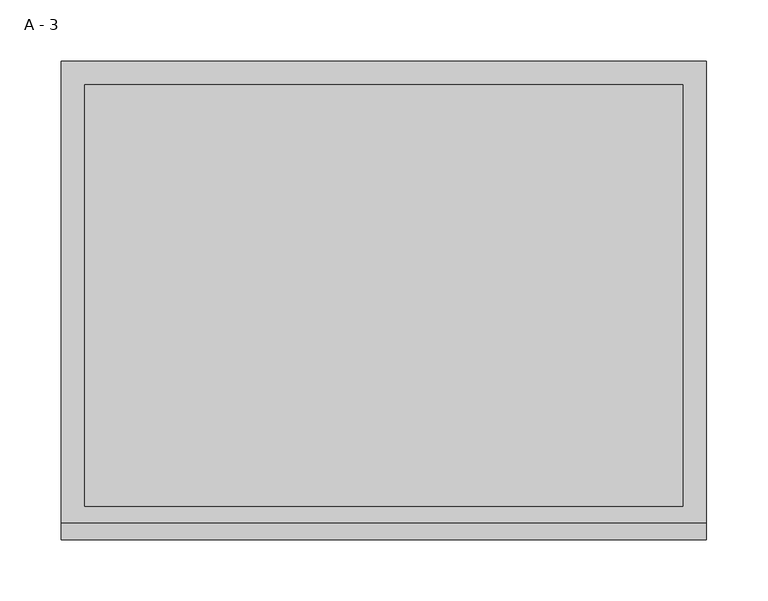
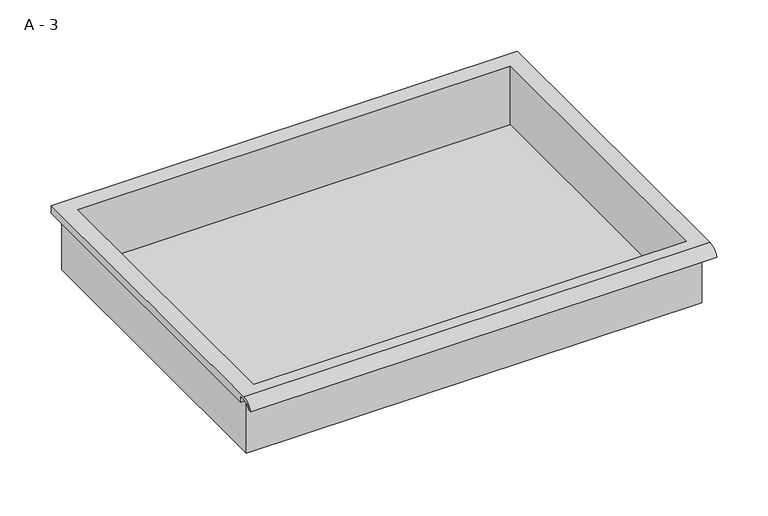
"""IFC4 building model written with IfcOpenShell, lengths in millimetres: furniture geometry, A - 3."""

from ifc_helpers import new_model, si_unit, frame, origin, place, context, project, spatial, polyline, circle_curve, source, transform, mapped, element, save
from ifc_brep_helpers import plane_surface, cylinder_surface, revolved_surface, advanced_brep


def a_3_77651ab3(model_context):
    return source(origin(), model_context, "Body", "AdvancedBrep", [
        advanced_brep(
        [(-257.1076517, -176.2125, 760.41504), (257.2423483, -176.2125, 760.41504), (257.2423483, -176.2125, 823.91504), (263.5923483, -176.2125, 823.91504), (263.5923483, -176.2125, 830.2221741), (-263.4576517, -176.2125, 830.2221741), (-263.4576517, -176.2125, 823.91504), (-257.1076517, -176.2125, 823.91504), (257.2423483, 185.7375, 760.41504), (-257.1076517, 185.7375, 760.41504), (-257.1076517, 185.7375, 823.91504), (257.2423483, 185.7375, 823.91504), (263.5923483, -181.6070544, 833.44004), (263.5923483, 195.2625, 833.44004), (-263.4576517, 195.2625, 833.44004), (-263.4576517, -181.6070544, 833.44004), (244.5423483, -168.275, 833.44004), (-244.4076517, -168.275, 833.44004), (-244.4076517, 176.2125, 833.44004), (244.5423483, 176.2125, 833.44004), (263.5923483, -195.2625, 823.91504), (263.5923483, -191.8280601, 823.91504), (263.5923483, -180.4714815, 830.2221741), (263.5923483, 195.2625, 823.91504), (-263.4576517, 195.2625, 823.91504), (-263.4576517, -180.4714815, 830.2221741), (-263.4576517, -191.8280601, 823.91504), (-263.4576517, -195.2625, 823.91504), (-244.4076517, -168.275, 763.4412119), (244.5423483, -168.275, 763.4412119), (244.5423483, 176.2125, 763.4412119), (-244.4076517, 176.2125, 763.4412119)],
        [
            (0, 1),
            (1, 2),
            (2, 3),
            (3, 4),
            (4, 5),
            (5, 6),
            (6, 7),
            (7, 0),
            (8, 9),
            (9, 10),
            (10, 11),
            (11, 8),
            (0, 9),
            (8, 1),
            (11, 2),
            (12, 13),
            (13, 14),
            (14, 15),
            (15, 12),
            (16, 17),
            (17, 18),
            (18, 19),
            (19, 16),
            (7, 10),
            (12, 20, circle_curve(frame((263.5923483, -181.6070544, 818.8890259), z_axis=(1.0, 0.0, 0.0), x_axis=(0.0, 1.0, 0.0)), 14.5510141)),
            (20, 21),
            (21, 22, circle_curve(frame((263.5923483, -181.6070544, 818.8890259), z_axis=(-1.0, 0.0, 0.0), x_axis=(0.0, 1.0, 0.0)), 11.3898979)),
            (22, 4),
            (3, 23),
            (23, 13),
            (14, 24),
            (24, 6),
            (5, 25),
            (25, 26, circle_curve(frame((-263.4576517, -181.6070544, 818.8890259), z_axis=(1.0, 0.0, 0.0), x_axis=(0.0, 1.0, 0.0)), 11.3898979)),
            (26, 27),
            (27, 15, circle_curve(frame((-263.4576517, -181.6070544, 818.8890259), z_axis=(-1.0, 0.0, 0.0), x_axis=(0.0, 1.0, 0.0)), 14.5510141)),
            (27, 20),
            (26, 21),
            (25, 22),
            (24, 23),
            (28, 29),
            (29, 30),
            (30, 31),
            (31, 28),
            (28, 17),
            (16, 29),
            (19, 30),
            (18, 31),
        ],
        [
            plane_surface(frame((257.2423483, -176.2125, 760.41504), z_axis=(0.0, -1.0, 0.0), x_axis=(1.0, 0.0, 0.0))),
            plane_surface(frame((257.2423483, 185.7375, 760.41504), z_axis=(0.0, 1.0, 0.0), x_axis=(-1.0, 0.0, 0.0))),
            plane_surface(frame((-257.1076517, -176.2125, 760.41504), z_axis=(0.0, 0.0, -1.0), x_axis=(0.0, 1.0, 0.0))),
            plane_surface(frame((257.2423483, -176.2125, 760.41504), z_axis=(1.0, 0.0, 0.0), x_axis=(0.0, 1.0, 0.0))),
            plane_surface(frame((257.2423483, -176.2125, 833.44004), z_axis=(0.0, 0.0, 1.0), x_axis=(0.0, 1.0, 0.0))),
            plane_surface(frame((-257.1076517, -176.2125, 833.44004), z_axis=(-1.0, 0.0, 0.0), x_axis=(0.0, 1.0, 0.0))),
            plane_surface(frame((263.5923483, 195.2625, 833.44004), z_axis=(1.0, 0.0, 0.0), x_axis=(0.0, -1.0, 0.0))),
            plane_surface(frame((-263.4576517, 195.2625, 833.44004), z_axis=(-1.0, 0.0, 0.0), x_axis=(0.0, 1.0, 0.0))),
            cylinder_surface(frame((-263.4576517, -181.6070544, 818.8890259), z_axis=(1.0, 0.0, 0.0), x_axis=(0.0, 1.0, 0.0)), 14.5510141),
            plane_surface(frame((263.5923483, -195.2625, 823.91504), z_axis=(0.0, -7.172997036885439e-12, -1.0), x_axis=(-1.0, 0.0, 0.0))),
            revolved_surface(polyline([(-263.4576517, -170.21715650000002, 818.8890259), (263.59234829999997, -170.21715650000002, 818.8890259)]), (-263.4576517, -181.6070544, 818.8890259), (-1.0, 0.0, 0.0)),
            plane_surface(frame((263.5923483, -180.4714815, 830.2221741), z_axis=(0.0, -1.779784652658307e-11, -1.0), x_axis=(-1.0, 0.0, 0.0))),
            plane_surface(frame((263.5923483, -176.2125, 823.91504), z_axis=(0.0, 0.0, -1.0), x_axis=(-1.0, 0.0, 0.0))),
            plane_surface(frame((263.5923483, 195.2625, 823.91504), z_axis=(0.0, 1.0, 0.0), x_axis=(-1.0, 0.0, 0.0))),
            plane_surface(frame((244.5423483, -168.275, 763.4412119), z_axis=(0.0, 0.0, 1.0), x_axis=(-1.0, 0.0, 0.0))),
            plane_surface(frame((-244.4076517, -168.275, 833.44004), z_axis=(0.0, 1.0, 0.0), x_axis=(0.0, 0.0, -1.0))),
            plane_surface(frame((244.5423483, -168.275, 833.44004), z_axis=(-1.0, 0.0, 0.0), x_axis=(0.0, 0.0, -1.0))),
            plane_surface(frame((244.5423483, 176.2125, 833.44004), z_axis=(0.0, -1.0, 0.0), x_axis=(0.0, 0.0, -1.0))),
            plane_surface(frame((-244.4076517, 176.2125, 833.44004), z_axis=(1.0, 0.0, 0.0), x_axis=(0.0, 0.0, -1.0))),
        ],
        [
            (0, [[1, 2, 3, 4, 5, 6, 7, 8]]),
            (1, [[9, 10, 11, 12]]),
            (2, [[-1, 13, -9, 14]]),
            (3, [[-14, -12, 15, -2]]),
            (4, [[16, 17, 18, 19], [20, 21, 22, 23]]),
            (5, [[-13, -8, 24, -10]]),
            (6, [[-16, 25, 26, 27, 28, -4, 29, 30]]),
            (7, [[31, 32, -6, 33, 34, 35, 36, -18]]),
            (8, [[-25, -19, -36, 37]]),
            (9, [[-26, -37, -35, 38]]),
            (10, [[-27, -38, -34, 39]]),
            (11, [[-28, -39, -33, -5]]),
            (12, [[-29, -3, -15, -11, -24, -7, -32, 40]]),
            (13, [[-30, -40, -31, -17]]),
            (14, [[41, 42, 43, 44]]),
            (15, [[-41, 45, -20, 46]]),
            (16, [[-42, -46, -23, 47]]),
            (17, [[-43, -47, -22, 48]]),
            (18, [[-44, -48, -21, -45]]),
        ],
    ),
    ])


if __name__ == "__main__":
    model = new_model("IFC4")
    model_context = context("Model", 3, world=origin())
    ifc_project = project(units=[si_unit("LENGTHUNIT", "METRE", prefix="MILLI")], contexts=[model_context])
    site = spatial("IfcSite", under=ifc_project)
    building = spatial("IfcBuilding", under=site)
    placement = place(None, origin())
    a_3_shape = a_3_77651ab3(model_context)
    element("IfcFurniture", 1, ObjectType="A - 3", at=placement, inside=building, context=model_context, shape_type="MappedRepresentation", body=[
        mapped(a_3_shape, transform((0.0, 0.0, 0.0), x_axis=(1.0, 0.0, 0.0), y_axis=(0.0, 1.0, 0.0), z_axis=(0.0, 0.0, 1.0))),
    ])
    save(model, "model.ifc")
